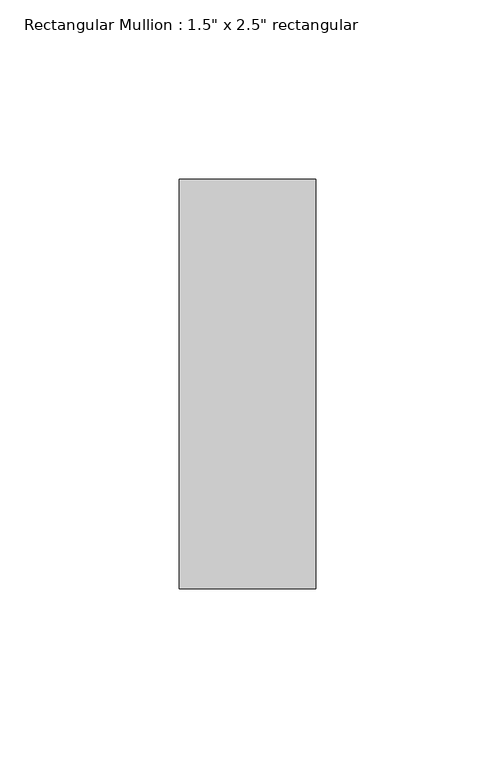
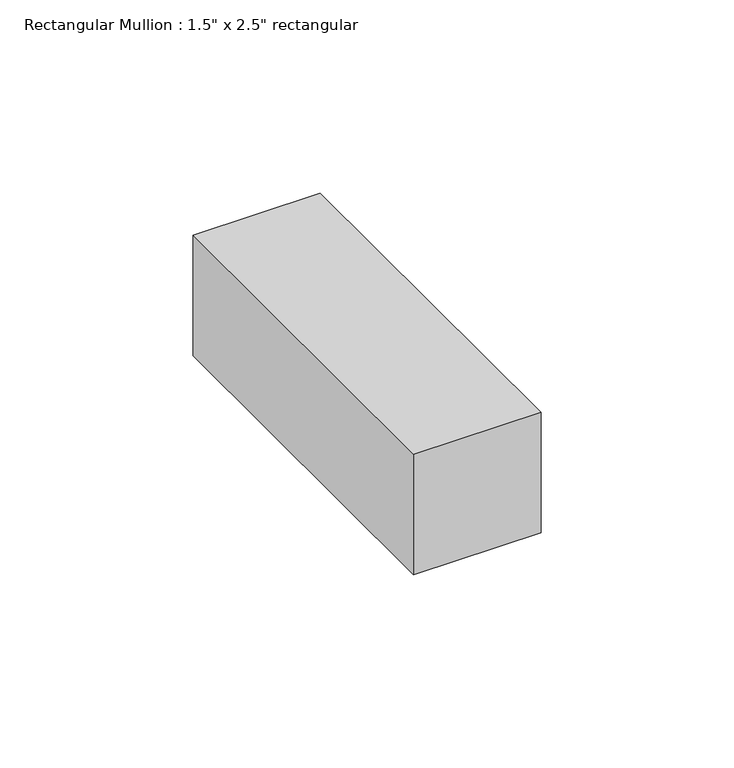
"""IFC4 building model written with IfcOpenShell, lengths in millimetres: member geometry."""

from ifc_helpers import new_model, si_unit, frame, origin, place, context, project, spatial, polyline, outline, extrude, source, transform, mapped, element, save


def member_088ef1f3(model_context):
    return source(origin(), model_context, "Body", "SweptSolid", [
        extrude(outline(polyline([(19.05, 57.15), (19.05, -57.15), (-19.05, -57.15), (-19.05, 57.15), (19.05, 57.15)])), frame((0.0, 0.0, -38.1), z_axis=(0.0, 0.0, 1.0), x_axis=(1.0, 0.0, 0.0)), (0.0, 0.0, 1.0), 38.1),
    ])


if __name__ == "__main__":
    model = new_model("IFC4")
    model_context = context("Model", 3, world=origin())
    ifc_project = project(units=[si_unit("LENGTHUNIT", "METRE", prefix="MILLI")], contexts=[model_context])
    site = spatial("IfcSite", under=ifc_project)
    building = spatial("IfcBuilding", under=site)
    placement = place(None, origin())
    member_shape = member_088ef1f3(model_context)
    element("IfcMember", 1, ObjectType="Rectangular Mullion : 1.5\" x 2.5\" rectangular", at=placement, inside=building, context=model_context, shape_type="MappedRepresentation", body=[
        mapped(member_shape, transform((0.0, 0.0, 0.0), x_axis=(1.0, 0.0, 0.0), y_axis=(0.0, 1.0, 0.0), z_axis=(0.0, 0.0, 1.0))),
    ])
    save(model, "model.ifc")
